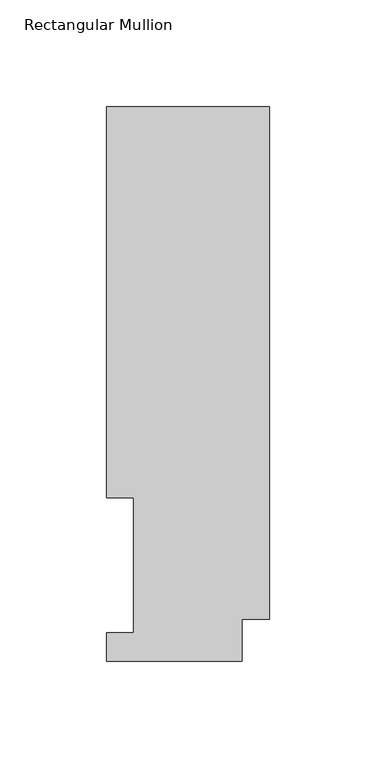
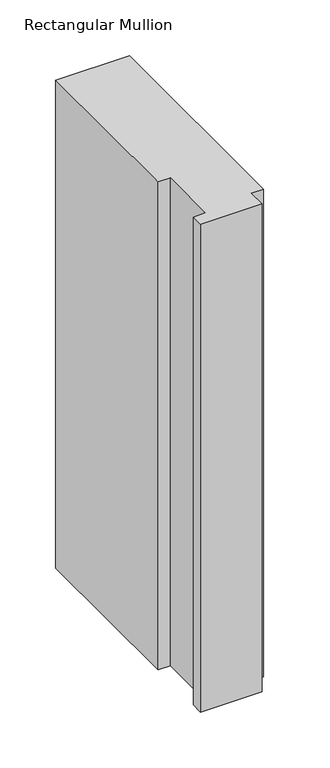
"""IFC4 building model written with IfcOpenShell, lengths in millimetres: member geometry, Rectangular Mullion."""

from ifc_helpers import new_model, si_unit, frame, origin, place, context, project, spatial, polyline, outline, extrude, source, transform, mapped, element, save


def rectangular_mullion_d5e745d2(model_context):
    return source(origin(), model_context, "Body", "SweptSolid", [
        extrude(outline(polyline([(-76.2, 76.2992188), (-76.2, 259.4586188), (0.0, 259.4586188), (0.0, 19.5088257), (-12.7, 19.5088257), (-12.7, -0.0333811), (-76.2, -0.0333811), (-76.2, 13.1492189), (-63.5, 13.1492189), (-63.5, 76.2992188), (-76.2, 76.2992188)])), frame((0.0, 0.0, -532.8581303), z_axis=(0.0, 0.0, 1.0), x_axis=(1.0, 0.0, 0.0)), (0.0, 0.0, 1.0), 532.8581303),
    ])


if __name__ == "__main__":
    model = new_model("IFC4")
    model_context = context("Model", 3, world=origin())
    ifc_project = project(units=[si_unit("LENGTHUNIT", "METRE", prefix="MILLI")], contexts=[model_context])
    site = spatial("IfcSite", under=ifc_project)
    building = spatial("IfcBuilding", under=site)
    placement = place(None, origin())
    rectangular_mullion_shape = rectangular_mullion_d5e745d2(model_context)
    element("IfcMember", 1, ObjectType="Rectangular Mullion", at=placement, inside=building, context=model_context, shape_type="MappedRepresentation", body=[
        mapped(rectangular_mullion_shape, transform((0.0, 0.0, 0.0), x_axis=(1.0, 0.0, 0.0), y_axis=(0.0, 1.0, 0.0), z_axis=(0.0, 0.0, 1.0))),
    ])
    save(model, "model.ifc")
